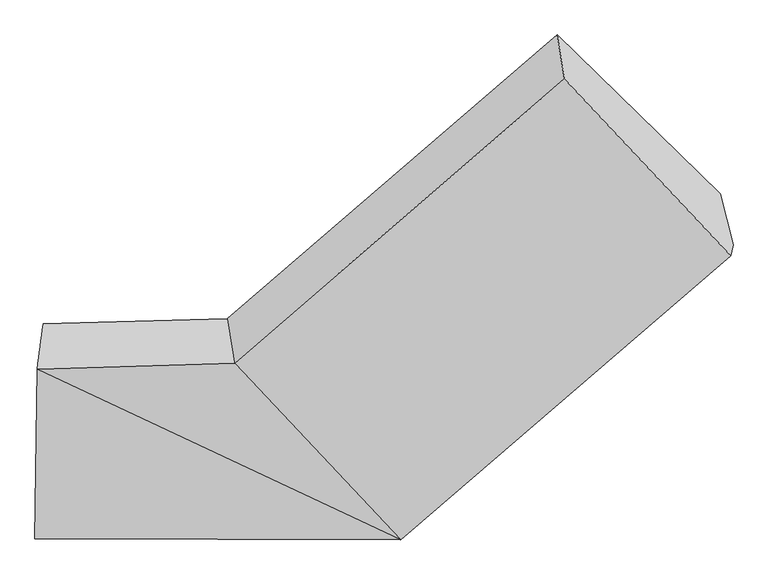
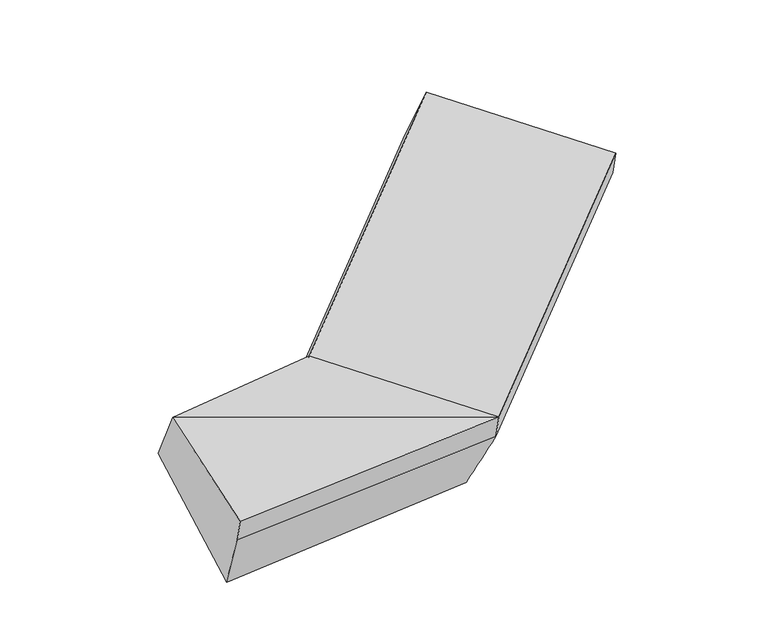
"""IFC4 building model written with IfcOpenShell, lengths in millimetres: proxy geometry."""

from ifc_helpers import new_model, si_unit, frame, origin, place, context, project, spatial, source, transform, mapped, element, save
from ifc_brep_helpers import plane_surface, spline_surface, advanced_brep


def generic_models_fc8f226d(model_context):
    return source(origin(), model_context, "Body", "AdvancedBrep", [
        advanced_brep(
        [(-1159.9950097, -1592.0028105, 1699.8801629), (-1184.0293185, -1771.3315907, 2029.5515597), (-398.5284886, -1747.499814, 2108.3416203), (-427.0418659, -1572.3050701, 1734.2745027), (-1192.5749169, -2446.2839718, 1824.0888541), (262.7161942, -2450.5392653, 1938.3680948), (-1183.4811083, -2404.2745106, 1685.7080329), (272.3873034, -2405.8629247, 1791.2024676), (-1159.263901, -2258.6808507, 1334.9968168), (221.5364406, -2203.7731193, 1414.5960967), (1583.3973402, -1276.5101919, 2220.203926), (1532.5464773, -1074.4203865, 1843.5975551), (883.9681708, -442.9523373, 2163.2759611), (912.4815482, -618.1470812, 2537.3430787), (1573.726231, -1321.1865325, 2367.3695532)],
        [
            (0, 1),
            (1, 2),
            (2, 3),
            (3, 0),
            (1, 4),
            (4, 5),
            (5, 1),
            (4, 6),
            (6, 7),
            (7, 5),
            (6, 8),
            (8, 9),
            (9, 7),
            (8, 0),
            (3, 9),
            (10, 11),
            (11, 12),
            (12, 13),
            (13, 14),
            (14, 10),
            (5, 2),
            (9, 11),
            (10, 7),
            (3, 12),
            (2, 13),
            (5, 14),
        ],
        [
            spline_surface(1, 1, [[(-1159.9950097, -1592.0028105, 1699.8801629), (-427.0418659, -1572.3050701, 1734.2745027)], [(-1184.0293185, -1771.3315907, 2029.5515597), (-398.5284886, -1747.499814, 2108.3416203)]], [2, 2], [2, 2], [0.0, 1.0], [0.0, 1.0]),
            plane_surface(frame((-1188.3021177, -2108.8077813, 1926.8202069), z_axis=(-0.07577463043816436, -0.28950123502369285, 0.9541735902348777), x_axis=(-0.012111384781899302, -0.9565869664631933, -0.29119527803762607))),
            plane_surface(frame((-1188.0280126, -2425.2792412, 1754.8984435), z_axis=(0.01991399485222539, -0.9570519151344138, -0.28923185257951184), x_axis=(0.06275810632394317, 0.2899153008357165, -0.9549924284683983))),
            spline_surface(1, 1, [[(-1183.4811083, -2404.2745106, 1685.7080329), (272.3873034, -2405.8629247, 1791.2024676)], [(-1159.263901, -2258.6808507, 1334.9968168), (221.5364406, -2203.7731193, 1414.5960967)]], [2, 2], [2, 2], [0.0, 1.0], [0.0, 1.0]),
            spline_surface(1, 1, [[(-1159.263901, -2258.6808507, 1334.9968168), (221.5364406, -2203.7731193, 1414.5960967)], [(-1159.9950097, -1592.0028105, 1699.8801629), (-427.0418659, -1572.3050701, 1734.2745027)]], [2, 2], [2, 2], [0.0, 1.0], [0.0, 1.0]),
            plane_surface(frame((1297.2239535, -946.6433059, 2226.3580148), z_axis=(0.7353829374325136, 0.6334861723112245, 0.2406391589571436), x_axis=(-0.1181433561857375, 0.46952139068436294, -0.874981034696748))),
            plane_surface(frame((-1175.8688509, -2094.5147469, 1714.8450853), z_axis=(-0.9979552767781208, 0.029841144985100227, -0.05652231078682664), x_axis=(0.0009619851974061933, -0.8772079475634259, -0.48010966592648585))),
            plane_surface(frame((-1184.0293185, -1771.3315907, 2029.5515597), z_axis=(-0.08560421961595666, -0.3094816432569886, 0.947044365418483), x_axis=(0.6747394722585603, -0.7173871951964377, -0.17344237297854195))),
            plane_surface(frame((246.961872, -2304.818022, 1602.8992822), z_axis=(0.6672736190816322, -0.6150162056241238, -0.42012020196296984), x_axis=(-0.1181433561857375, 0.46952139068436294, -0.874981034696748))),
            plane_surface(frame((-102.7527127, -1888.0390947, 1574.4352997), z_axis=(-0.05266240576413228, 0.4074576910725702, -0.9117043934329505), x_axis=(-0.6756024025654893, 0.6577792178811105, 0.332998339592637))),
            plane_surface(frame((-412.7851772, -1659.9024421, 1921.3080615), z_axis=(-0.6741435068179444, 0.6478083293781548, 0.3547885294136331), x_axis=(0.06886557593117858, -0.4231307574246494, 0.9034477818739219))),
            plane_surface(frame((-67.9061472, -2099.0195397, 2023.3548576), z_axis=(-0.06275810632394524, -0.28991530083571493, 0.9549924284683985), x_axis=(0.6747394722585603, -0.7173871951964377, -0.17344237297854195))),
            plane_surface(frame((267.5517488, -2428.201095, 1864.7852812), z_axis=(0.674739472258561, -0.7173871951964368, -0.17344237297854478), x_axis=(0.0627581063239425, 0.2899153008357165, -0.9549924284683984))),
        ],
        [
            (0, [[1, 2, 3, 4]]),
            (1, [[5, 6, 7]]),
            (2, [[8, 9, 10, -6]]),
            (3, [[11, 12, 13, -9]]),
            (4, [[14, -4, 15, -12]]),
            (5, [[16, 17, 18, 19, 20]]),
            (6, [[-14, -11, -8, -5, -1]]),
            (7, [[21, -2, -7]]),
            (8, [[-13, 22, -16, 23]]),
            (9, [[-15, 24, -17, -22]]),
            (10, [[-3, 25, -18, -24]]),
            (11, [[-21, 26, -19, -25]]),
            (12, [[-10, -23, -20, -26]]),
        ],
    ),
    ])


if __name__ == "__main__":
    model = new_model("IFC4")
    model_context = context("Model", 3, world=origin())
    ifc_project = project(units=[si_unit("LENGTHUNIT", "METRE", prefix="MILLI")], contexts=[model_context])
    site = spatial("IfcSite", under=ifc_project)
    building = spatial("IfcBuilding", under=site)
    placement = place(None, origin())
    generic_models_shape = generic_models_fc8f226d(model_context)
    element("IfcBuildingElementProxy", 1, Name="Generic Models", at=placement, inside=building, context=model_context, shape_type="MappedRepresentation", body=[
        mapped(generic_models_shape, transform((0.0, 0.0, 0.0), x_axis=(1.0, 0.0, 0.0), y_axis=(0.0, 1.0, 0.0), z_axis=(0.0, 0.0, 1.0))),
    ])
    save(model, "model.ifc")
